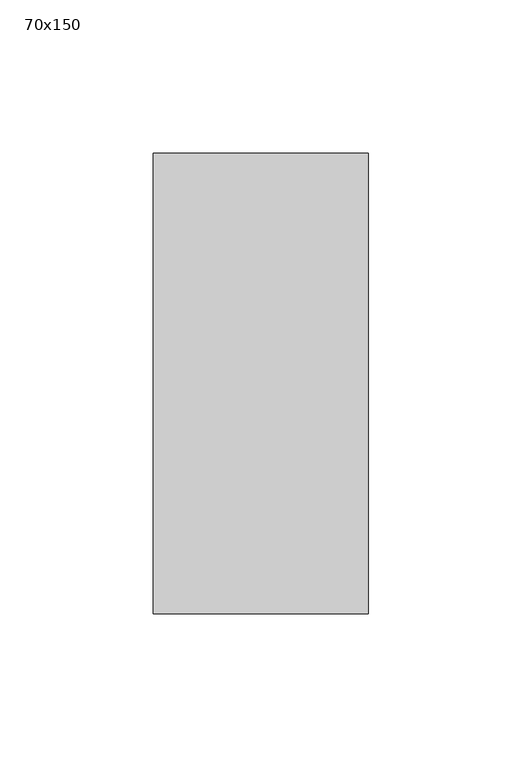
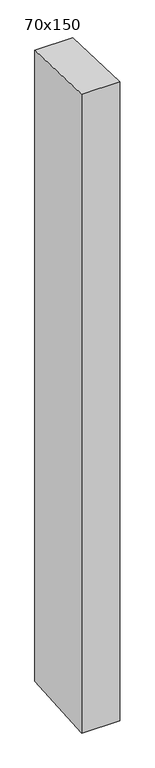
"""IFC4 building model written with IfcOpenShell, lengths in millimetres: member geometry, 70x150."""

from ifc_helpers import new_model, si_unit, frame, origin, place, context, project, spatial, polyline, outline, extrude, source, transform, mapped, element, save


def member_70x150_8f0671c1(model_context):
    return source(origin(), model_context, "Body", "SweptSolid", [
        extrude(outline(polyline([(-75.0, 2.8600187), (75.0, -2.8600187), (75.0, -1234.4919599), (-75.0, -1244.3866683), (-75.0, 2.8600187)])), frame((-35.0, 0.0, 0.0), z_axis=(1.0, 0.0, 0.0), x_axis=(0.0, 1.0, 0.0)), (0.0, 0.0, 1.0), 70.0),
    ])


if __name__ == "__main__":
    model = new_model("IFC4")
    model_context = context("Model", 3, world=origin())
    ifc_project = project(units=[si_unit("LENGTHUNIT", "METRE", prefix="MILLI")], contexts=[model_context])
    site = spatial("IfcSite", under=ifc_project)
    building = spatial("IfcBuilding", under=site)
    placement = place(None, origin())
    member_70x150_shape = member_70x150_8f0671c1(model_context)
    element("IfcMember", 1, ObjectType="70x150", at=placement, inside=building, context=model_context, shape_type="MappedRepresentation", body=[
        mapped(member_70x150_shape, transform((0.0, 0.0, 0.0), x_axis=(1.0, 0.0, 0.0), y_axis=(0.0, 1.0, 0.0), z_axis=(0.0, 0.0, 1.0))),
    ])
    save(model, "model.ifc")
